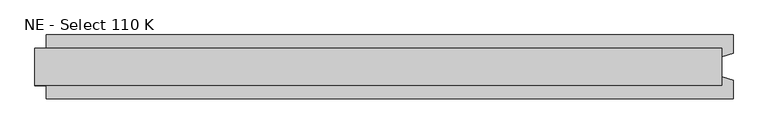
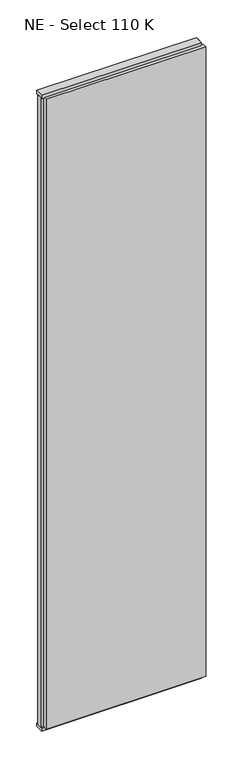
"""IFC4 building model written with IfcOpenShell, lengths in millimetres: plate geometry, NE - Select 110 K."""

from ifc_helpers import new_model, si_unit, frame, origin, origin_with_axes, place, context, project, spatial, polyline, outline, extrude, source, transform, mapped, element, save


def ne_select_110_k_61a9f8d0(model_context):
    return source(origin(), model_context, "Body", "SweptSolid", [
        extrude(outline(polyline([(613.5, 55.0), (613.5, 22.9993165), (593.5, 17.6401049), (593.5, -17.6401049), (613.5, -22.9993165), (613.5, -55.0), (-573.5, -55.0), (-573.5, -22.9993165), (-593.5, -17.6401049), (-593.5, 17.6401049), (-573.5, 22.9993165), (-573.5, 55.0), (613.5, 55.0)])), frame((0.0, 0.0, 25.0), z_axis=(0.0, 0.0, 1.0), x_axis=(1.0, 0.0, 0.0)), (0.0, 0.0, 1.0), 4950.0),
        extrude(outline(polyline([(593.5, 32.0), (593.5, -32.0), (-593.5, -32.0), (-593.5, 32.0), (593.5, 32.0)])), origin_with_axes(), (0.0, 0.0, 1.0), 25.0),
        extrude(outline(polyline([(593.5, 32.0), (593.5, -32.0), (-593.5, -32.0), (-593.5, 32.0), (593.5, 32.0)])), frame((0.0, 0.0, 4975.0), z_axis=(0.0, 0.0, 1.0), x_axis=(1.0, 0.0, 0.0)), (0.0, 0.0, 1.0), 25.0),
    ])


if __name__ == "__main__":
    model = new_model("IFC4")
    model_context = context("Model", 3, world=origin())
    ifc_project = project(units=[si_unit("LENGTHUNIT", "METRE", prefix="MILLI")], contexts=[model_context])
    site = spatial("IfcSite", under=ifc_project)
    building = spatial("IfcBuilding", under=site)
    placement = place(None, origin())
    ne_select_110_k_shape = ne_select_110_k_61a9f8d0(model_context)
    element("IfcPlate", 1, ObjectType="NE - Select 110 K", at=placement, inside=building, context=model_context, shape_type="MappedRepresentation", body=[
        mapped(ne_select_110_k_shape, transform((0.0, 0.0, 0.0), x_axis=(1.0, 0.0, 0.0), y_axis=(0.0, 1.0, 0.0), z_axis=(0.0, 0.0, 1.0))),
    ])
    save(model, "model.ifc")
